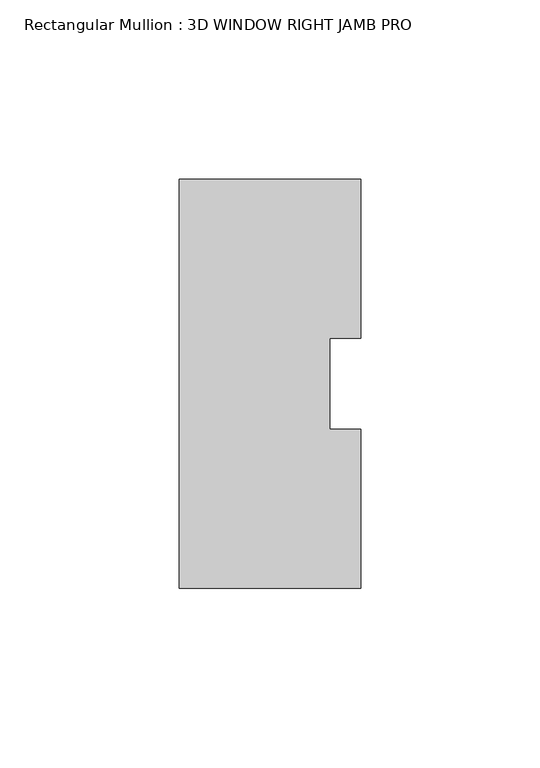
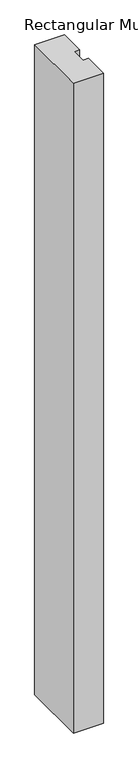
"""IFC4 building model written with IfcOpenShell, lengths in millimetres: member geometry, Rectangular Mullion : 3D WINDOW RIGHT JAMB PRO."""

from ifc_helpers import new_model, si_unit, frame, origin, place, context, project, spatial, polyline, outline, extrude, source, transform, mapped, element, save


def rectangular_mullion_3d_window_right_jamb_pro_968a11d4(model_context):
    return source(origin(), model_context, "Body", "SweptSolid", [
        extrude(outline(polyline([(25.4, -57.1388465), (-25.4, -57.1388465), (-25.4, 57.1611535), (25.4, 57.1611535), (25.4, 12.7438492), (16.66875, 12.7438492), (16.66875, -12.7438492), (25.4, -12.7438492), (25.4, -57.1388465)])), frame((0.0, 0.0, -1168.4), z_axis=(0.0, 0.0, 1.0), x_axis=(1.0, 0.0, 0.0)), (0.0, 0.0, 1.0), 1168.4),
    ])


if __name__ == "__main__":
    model = new_model("IFC4")
    model_context = context("Model", 3, world=origin())
    ifc_project = project(units=[si_unit("LENGTHUNIT", "METRE", prefix="MILLI")], contexts=[model_context])
    site = spatial("IfcSite", under=ifc_project)
    building = spatial("IfcBuilding", under=site)
    placement = place(None, origin())
    rectangular_mullion_3d_window_right_jamb_pro_shape = rectangular_mullion_3d_window_right_jamb_pro_968a11d4(model_context)
    element("IfcMember", 1, ObjectType="Rectangular Mullion : 3D WINDOW RIGHT JAMB PRO", at=placement, inside=building, context=model_context, shape_type="MappedRepresentation", body=[
        mapped(rectangular_mullion_3d_window_right_jamb_pro_shape, transform((0.0, 0.0, 0.0), x_axis=(1.0, 0.0, 0.0), y_axis=(0.0, 1.0, 0.0), z_axis=(0.0, 0.0, 1.0))),
    ])
    save(model, "model.ifc")
